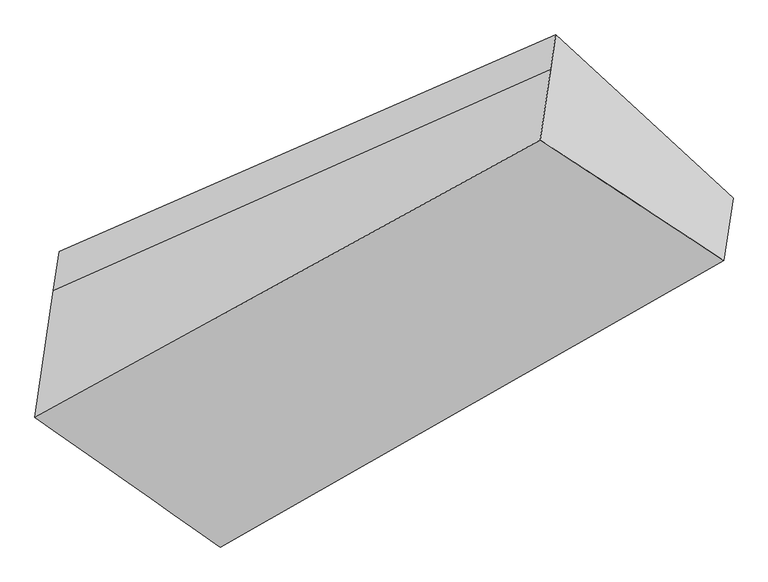
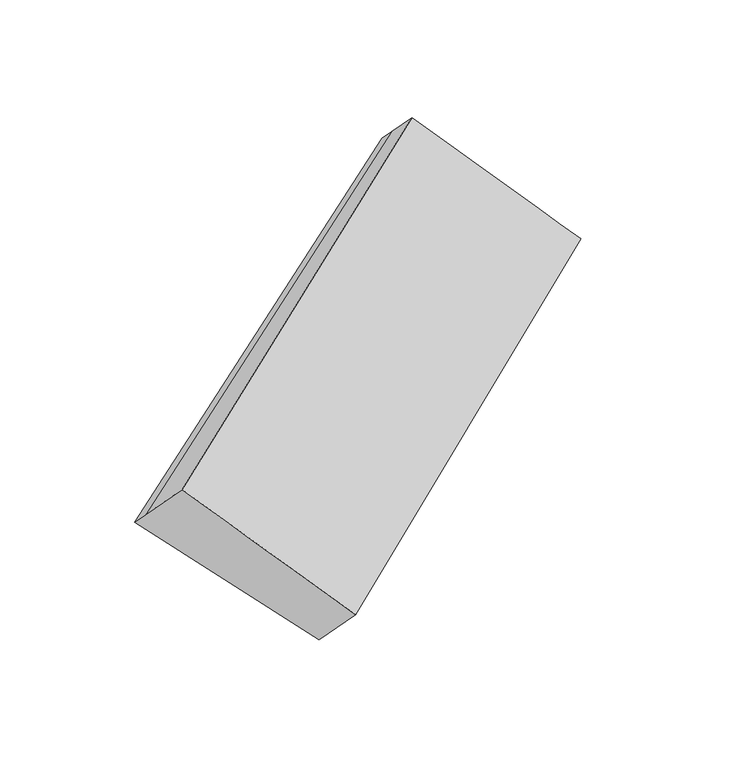
"""IFC4 building model written with IfcOpenShell, lengths in millimetres: proxy geometry."""

from ifc_helpers import new_model, si_unit, frame, origin, place, context, project, spatial, source, transform, mapped, element, save
from ifc_brep_helpers import plane_surface, spline_surface, advanced_brep


def generic_models_2d794813(model_context):
    return source(origin(), model_context, "Body", "AdvancedBrep", [
        advanced_brep(
        [(-3778.0640458, -1494.2209062, 1520.7134962), (-3794.7746736, -1608.4875695, 1631.4559206), (-2337.560726, -958.229379, 2507.2093001), (-2322.9389267, -858.2460485, 2410.3096788), (-3251.9208878, -1987.9838139, 1090.6302853), (-1802.9836503, -1337.0967925, 1994.6794638), (-3306.3679706, -2360.2909796, 1451.454667), (-1829.7467614, -1520.10197, 2172.0403532), (-3849.1566073, -1980.3492484, 1991.8485554), (-2368.0108128, -1166.4459614, 2709.0040184)],
        [
            (0, 1),
            (1, 2),
            (2, 3),
            (3, 0),
            (4, 0),
            (0, 5),
            (5, 4),
            (6, 4),
            (5, 7),
            (7, 6),
            (8, 6),
            (7, 9),
            (9, 8),
            (1, 8),
            (9, 2),
            (5, 3),
        ],
        [
            plane_surface(frame((-3786.4193597, -1551.3542378, 1576.0847084), z_axis=(-0.5908697972542736, 0.6043614470054784, 0.5344343964100159), x_axis=(-0.1044414237570897, -0.7141666459561958, 0.6921401525755241))),
            plane_surface(frame((-3514.9924668, -1741.10236, 1305.6718908), z_axis=(0.10848216971080671, 0.7161455287664718, -0.6894687813691254), x_axis=(-0.6263609022891851, 0.5878129854191287, 0.5120038225014822))),
            plane_surface(frame((-3279.1444292, -2174.1373967, 1271.0424762), z_axis=(0.5997591185792256, -0.6003834258352622, -0.5289884135436097), x_axis=(0.10444142375713114, 0.7141666459562237, -0.6921401525754891))),
            spline_surface(1, 1, [[(-3849.1566073, -1980.3492484, 1991.8485554), (-2368.0108128, -1166.4459614, 2709.0040184)], [(-3306.3679706, -2360.2909796, 1451.454667), (-1829.7467614, -1520.10197, 2172.0403532)]], [2, 2], [2, 2], [0.0, 1.0], [0.0, 1.0]),
            plane_surface(frame((-3821.9656404, -1794.418409, 1811.652238), z_axis=(-0.5908697972542745, 0.6043614470054689, 0.5344343964100255), x_axis=(-0.10444142375711386, -0.7141666459562183, 0.6921401525754972))),
            plane_surface(frame((-2080.9200378, -1220.4726931, 2321.5083785), z_axis=(0.7661720287238414, 0.38594257672805204, 0.5138372795639737), x_axis=(0.10444142375713114, 0.7141666459562237, -0.6921401525754891))),
            plane_surface(frame((-3546.3773779, -1955.711237, 1513.661751), z_axis=(-0.7725050220465022, -0.3800551222866333, -0.5087180898460615), x_axis=(0.10444142375710554, 0.7141666459562106, -0.6921401525755065))),
            plane_surface(frame((-3778.0640458, -1494.2209062, 1520.7134962), z_axis=(0.10846921573169882, 0.716186410846481, -0.6894283531719491), x_axis=(-0.6340918004554045, 0.583964321917146, 0.5068661157772055))),
        ],
        [
            (0, [[1, 2, 3, 4]]),
            (1, [[5, 6, 7]]),
            (2, [[8, -7, 9, 10]]),
            (3, [[11, -10, 12, 13]]),
            (4, [[14, -13, 15, -2]]),
            (5, [[-9, 16, -3, -15, -12]]),
            (6, [[-1, -5, -8, -11, -14]]),
            (7, [[-16, -6, -4]]),
        ],
    ),
    ])


if __name__ == "__main__":
    model = new_model("IFC4")
    model_context = context("Model", 3, world=origin())
    ifc_project = project(units=[si_unit("LENGTHUNIT", "METRE", prefix="MILLI")], contexts=[model_context])
    site = spatial("IfcSite", under=ifc_project)
    building = spatial("IfcBuilding", under=site)
    placement = place(None, origin())
    generic_models_shape = generic_models_2d794813(model_context)
    element("IfcBuildingElementProxy", 1, Name="Generic Models", at=placement, inside=building, context=model_context, shape_type="MappedRepresentation", body=[
        mapped(generic_models_shape, transform((0.0, 0.0, 0.0), x_axis=(1.0, 0.0, 0.0), y_axis=(0.0, 1.0, 0.0), z_axis=(0.0, 0.0, 1.0))),
    ])
    save(model, "model.ifc")
